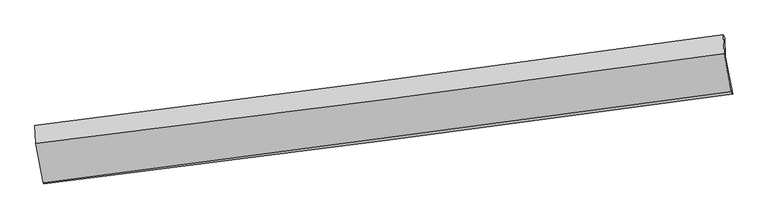
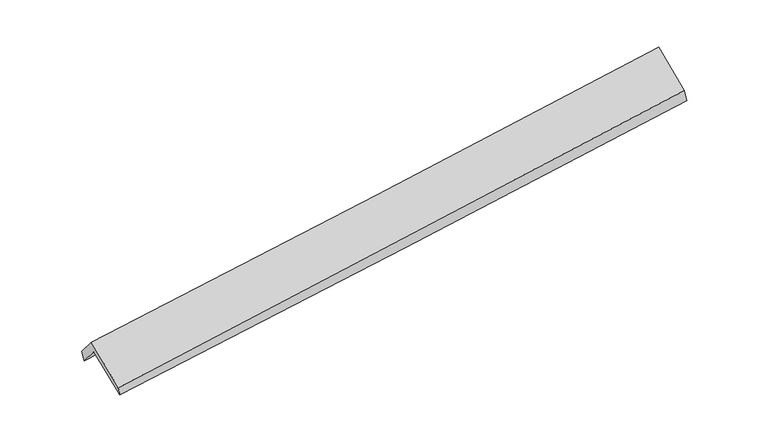
"""IFC4 building model written with IfcOpenShell, lengths in millimetres: proxy geometry."""

from ifc_helpers import new_model, si_unit, frame, origin, place, context, project, spatial, source, transform, mapped, element, save
from ifc_brep_helpers import plane_surface, spline_curve, spline_surface, advanced_brep


def generic_models_eb1711ac(model_context):
    return source(origin(), model_context, "Body", "AdvancedBrep", [
        advanced_brep(
        [(-4744.4737505, -2192.0124491, 1768.7851202), (-4753.3370954, -1943.0911301, 1469.6982067), (4666.0910577, -710.9007812, 2203.0589184), (4675.1821224, -966.2174645, 2509.8300663), (-4768.8740504, -1904.0847134, 1605.8656841), (4649.0888551, -664.3124878, 2345.5799928), (-4760.0464014, -2152.0035383, 1903.748069), (4658.3719438, -925.0220413, 2658.8308466), (-4656.3278729, -2688.6917644, 1454.0044389), (4757.6947297, -1438.9646373, 2228.1480077), (-4645.6632287, -2703.3043512, 1340.3235574), (4773.9926443, -1477.5093666, 2081.3685034)],
        [
            (0, 1),
            (1, 2, spline_curve(3, [(-4753.3370954, -1943.0911301, 1469.6982067), (-3177.919616673, -1744.370579053, 1590.587946239), (-1603.040633291, -1542.02723017, 1712.321382718), (1536.762695286, -1131.256370956, 1956.784441219), (3101.693095806, -922.869603956, 2079.504575628), (4666.0910577, -710.9007812, 2203.0589184)], [4, 2, 4], [0.0, 15.674081276882246, 31.25977697108581])),
            (2, 3),
            (3, 0, spline_curve(3, [(4675.1821224, -966.2174645, 2509.8300663), (3110.821793208, -1179.243174062, 2387.545606529), (1545.891392687, -1387.629941062, 2264.82547274), (-1593.987414705, -1796.281033119, 2017.815445761), (-3168.942305006, -1996.49259404, 1893.520597985), (-4744.4737505, -2192.0124491, 1768.7851202)], [4, 2, 4], [0.0, 15.585695694203563, 31.25977697108581])),
            (1, 4),
            (4, 5, spline_curve(3, [(-4768.8740504, -1904.0847134, 1605.8656841), (-3193.210284628, -1706.638567848, 1725.687474326), (-1618.331301166, -1504.29521857, 1847.420910781), (1520.980841965, -1090.98273548, 2094.013845828), (3085.422826285, -880.068676105, 2218.851845561), (4649.0888551, -664.3124878, 2345.5799928)], [4, 2, 4], [0.0, 15.674117504334323, 31.25984922170466])),
            (5, 2),
            (4, 6),
            (6, 7, spline_curve(3, [(-4760.0464014, -2152.0035383, 1903.748069), (-3184.154701179, -1960.958784493, 2031.261335977), (-1609.123904135, -1762.879011697, 2158.117595472), (1530.339195511, -1353.806062466, 2409.80446567), (3094.781180296, -1142.892003119, 2534.642465774), (4658.3719438, -925.0220413, 2658.8308466)], [4, 2, 4], [0.0, 15.674170518795517, 31.2599549516804])),
            (7, 5),
            (6, 8),
            (8, 9, spline_curve(3, [(-4656.3278729, -2688.6917644, 1454.0044389), (-3082.636115489, -2486.263477096, 1591.057083812), (-1509.070566325, -2280.601827007, 1724.266940492), (1628.935549057, -1863.989755677, 1982.271579849), (3193.377533688, -1653.075696203, 2107.109579618), (4757.6947297, -1438.9646373, 2228.1480077)], [4, 2, 4], [0.0, 15.674260975031451, 31.260135354072794])),
            (9, 7),
            (8, 10),
            (10, 11, spline_curve(3, [(-4645.6632287, -2703.3043512, 1340.3235574), (-3070.131782854, -2507.784496282, 1465.059035327), (-1495.176892632, -2307.572935302, 1589.353882839), (1644.701914415, -1898.921843279, 1836.363909862), (3209.632315236, -1690.535076406, 1959.084043692), (4773.9926443, -1477.5093666, 2081.3685034)], [4, 2, 4], [0.0, 15.674194940526316, 31.260003657428733])),
            (11, 9),
            (10, 0),
            (3, 11),
        ],
        [
            spline_surface(3, 3, [[(-4744.4737505, -2192.0124491, 1768.7851202), (-3168.942304801, -1996.492594008, 1893.52059794), (-1593.987414487, -1796.281032963, 2017.815445931), (1545.89139247, -1387.629941217, 2264.825472572), (3110.821793109, -1179.24317408, 2387.545606638), (4675.1821224, -966.2174645, 2509.8300663)], [(-4747.428198794, -2109.038676109, 1669.089482361), (-3171.93474217, -1912.451922376, 1792.543047314), (-1597.005154058, -1711.529765297, 1915.984091478), (1542.848493374, -1302.172084542, 2162.145128861), (3107.778894012, -1093.785317404, 2284.865262927), (4672.151767497, -881.111903405, 2407.57301698)], [(-4750.382647106, -2026.064903091, 1569.393844539), (-3174.927179557, -1828.411250717, 1691.565496707), (-1600.022893622, -1626.778497615, 1814.152736987), (1539.805594285, -1216.714227851, 2059.464785112), (3104.735994924, -1008.327460713, 2182.184919278), (4669.121412603, -796.006342295, 2305.31596772)], [(-4753.3370954, -1943.0911301, 1469.6982067), (-3177.919616926, -1744.370579085, 1590.587946081), (-1603.040633194, -1542.027229949, 1712.321382535), (1536.762695189, -1131.256371175, 1956.784441402), (3101.693095828, -922.869604038, 2079.504575568), (4666.0910577, -710.9007812, 2203.0589184)]], [4, 4], [4, 2, 4], [0.0, 1.3097355209453863], [0.0, 15.674081276882246, 31.25977697108581]),
            spline_surface(3, 3, [[(-4753.3370954, -1943.0911301, 1469.6982067), (-3177.919616926, -1744.370579085, 1590.587946081), (-1603.040633194, -1542.027229949, 1712.321382535), (1536.762695189, -1131.256371175, 1956.784441402), (3101.693095828, -922.869604038, 2079.504575568), (4666.0910577, -710.9007812, 2203.0589184)], [(-4758.516080408, -1930.088991213, 1515.087365832), (-3183.016506196, -1731.793241979, 1635.621122194), (-1608.137522464, -1529.449892842, 1757.354558648), (1531.502077379, -1117.831825951, 2002.527576176), (3096.269672738, -908.602628071, 2125.953665573), (4660.423656852, -695.371350087, 2250.565943222)], [(-4763.695065392, -1917.086852287, 1560.476524968), (-3188.113395444, -1719.215904832, 1680.654298313), (-1613.234411712, -1516.872555696, 1802.387734766), (1526.241459592, -1104.407280686, 2048.270710956), (3090.846249591, -894.335652043, 2172.402755512), (4654.756255948, -679.841918913, 2298.072967978)], [(-4768.8740504, -1904.0847134, 1605.8656841), (-3193.210284714, -1706.638567726, 1725.687474426), (-1618.331300982, -1504.295218589, 1847.420910879), (1520.980841782, -1090.982735461, 2094.013845731), (3085.422826501, -880.068676076, 2218.851845517), (4649.0888551, -664.3124878, 2345.5799928)]], [4, 4], [4, 2, 4], [0.0, 0.46746066507655004], [0.0, 15.674117504334323, 31.25984922170466]),
            spline_surface(3, 3, [[(-4768.8740504, -1904.0847134, 1605.8656841), (-3193.210284714, -1706.638567726, 1725.687474426), (-1618.331300982, -1504.295218589, 1847.420910879), (1520.980841782, -1090.982735461, 2094.013845731), (3085.422826501, -880.068676076, 2218.851845517), (4649.0888551, -664.3124878, 2345.5799928)], [(-4765.931500713, -1986.724321694, 1705.159812386), (-3190.191756878, -1791.411973302, 1827.545428284), (-1615.26216874, -1590.489816235, 1950.986472392), (1524.100293074, -1178.590511125, 2199.277385759), (3088.542277793, -967.67645174, 2324.115385545), (4652.183218004, -751.215672303, 2449.996944048)], [(-4762.988951087, -2069.363930006, 1804.453940714), (-3187.173229102, -1876.185378895, 1929.403382185), (-1612.193036511, -1676.684413972, 2054.552033859), (1527.219744352, -1266.198286881, 2304.540925742), (3091.661729071, -1055.284227396, 2429.378925628), (4655.277580896, -838.118856797, 2554.413895352)], [(-4760.0464014, -2152.0035383, 1903.748069), (-3184.154701265, -1960.958784471, 2031.261336043), (-1609.123904269, -1762.879011618, 2158.117595371), (1530.339195644, -1353.806062545, 2409.80446577), (3094.781180363, -1142.89200306, 2534.642465656), (4658.3719438, -925.0220413, 2658.8308466)]], [4, 4], [4, 2, 4], [0.0, 1.3373548456509932], [0.0, 15.674170518795517, 31.2599549516804]),
            spline_surface(3, 3, [[(-4760.0464014, -2152.0035383, 1903.748069), (-3184.154701265, -1960.958784471, 2031.261336043), (-1609.123904269, -1762.879011618, 2158.117595371), (1530.339195644, -1353.806062545, 2409.80446577), (3094.781180363, -1142.89200306, 2534.642465656), (4658.3719438, -925.0220413, 2658.8308466)], [(-4725.473558581, -2330.899613644, 1753.833525647), (-3150.315172693, -2136.060348574, 1884.526585309), (-1575.772791536, -1935.453283494, 2013.500710327), (1563.204646696, -1523.867293505, 2267.293503847), (3127.646631415, -1312.95323402, 2392.131503733), (4691.479539099, -1096.336239965, 2515.269900317)], [(-4690.900715719, -2509.795689056, 1603.918982253), (-3116.475644078, -2311.161912746, 1737.791834534), (-1542.421678801, -2108.027555377, 1868.883825332), (1596.07009775, -1693.928524472, 2124.782541974), (3160.512082469, -1483.014464987, 2249.62054176), (4724.587134401, -1267.650438635, 2371.708953983)], [(-4656.3278729, -2688.6917644, 1454.0044389), (-3082.636115505, -2486.263476848, 1591.0570838), (-1509.070566069, -2280.601827253, 1724.266940288), (1628.935548803, -1863.989755432, 1982.271580051), (3193.377533521, -1653.075695947, 2107.109579837), (4757.6947297, -1438.9646373, 2228.1480077)]], [4, 4], [4, 2, 4], [0.0, 2.224078082024308], [0.0, 15.674260975031451, 31.260135354072794]),
            spline_surface(3, 3, [[(-4656.3278729, -2688.6917644, 1454.0044389), (-3082.636115505, -2486.263476848, 1591.0570838), (-1509.070566069, -2280.601827253, 1724.266940288), (1628.935548803, -1863.989755432, 1982.271580051), (3193.377533521, -1653.075695947, 2107.109579837), (4757.6947297, -1438.9646373, 2228.1480077)], [(-4652.772991475, -2693.562626696, 1416.110811716), (-3078.468004645, -2493.437149965, 1549.05773423), (-1504.439341572, -2289.592196561, 1679.295921201), (1634.191003994, -1875.633784765, 1933.635689923), (3198.795793993, -1665.562156023, 2057.767734479), (4763.127367876, -1451.812880398, 2179.221506275)], [(-4649.218110125, -2698.433488904, 1378.217184584), (-3074.299893861, -2500.610822992, 1507.05838471), (-1499.808117084, -2298.582565855, 1634.324902118), (1639.446459178, -1887.277814084, 1884.999799799), (3204.214054537, -1678.048616104, 2008.425889095), (4768.560006124, -1464.661123502, 2130.295004825)], [(-4645.6632287, -2703.3043512, 1340.3235574), (-3070.131783001, -2507.784496108, 1465.05903514), (-1495.176892587, -2307.572935163, 1589.353883031), (1644.70191437, -1898.921843417, 1836.363909672), (3209.632315009, -1690.53507618, 1959.084043738), (4773.9926443, -1477.5093666, 2081.3685034)]], [4, 4], [4, 2, 4], [0.0, 0.474109145148708], [0.0, 15.674194940526316, 31.260003657428733]),
            spline_surface(3, 3, [[(-4645.6632287, -2703.3043512, 1340.3235574), (-3070.131783001, -2507.784496108, 1465.05903514), (-1495.176892587, -2307.572935163, 1589.353883031), (1644.70191437, -1898.921843417, 1836.363909672), (3209.632315009, -1690.53507618, 1959.084043738), (4773.9926443, -1477.5093666, 2081.3685034)], [(-4678.600069329, -2532.873717143, 1483.144078359), (-3103.06862363, -2337.353862051, 1607.879556099), (-1528.113733216, -2137.142301106, 1732.174403989), (1611.76507374, -1728.49120936, 1979.18443063), (3176.695474379, -1520.104442123, 2101.904564696), (4741.055803671, -1307.078732543, 2224.189024359)], [(-4711.536909871, -2362.443083157, 1625.964599241), (-3136.005464172, -2166.923228065, 1750.700076981), (-1561.050573858, -1966.71166702, 1874.994924972), (1578.828233099, -1558.060575274, 2122.004951613), (3143.758633738, -1349.673808137, 2244.725085679), (4708.118963029, -1136.648098557, 2367.009545341)], [(-4744.4737505, -2192.0124491, 1768.7851202), (-3168.942304801, -1996.492594008, 1893.52059794), (-1593.987414487, -1796.281032963, 2017.815445931), (1545.89139247, -1387.629941217, 2264.825472572), (3110.821793109, -1179.24317408, 2387.545606638), (4675.1821224, -966.2174645, 2509.8300663)]], [4, 4], [4, 2, 4], [0.0, 2.2124692099526224], [0.0, 15.674096899223905, 31.259808127675303]),
            plane_surface(frame((4696.7368922, -1030.4877965, 2337.8027225), z_axis=(0.9889448588586747, 0.12706145482605216, 0.07644248056207517), x_axis=(0.10678140603177845, -0.25253908296505817, -0.9616765271654726))),
            plane_surface(frame((-4721.4537332, -2263.8646578, 1590.4041794), z_axis=(-0.9889448588586673, -0.12706145482625836, -0.07644248056182595), x_axis=(0.1465247519827405, -0.7581876679210486, -0.6353597069919039))),
        ],
        [
            (0, [[1, 2, 3, 4]]),
            (1, [[5, 6, 7, -2]]),
            (2, [[8, 9, 10, -6]]),
            (3, [[11, 12, 13, -9]]),
            (4, [[14, 15, 16, -12]]),
            (5, [[17, -4, 18, -15]]),
            (6, [[-16, -18, -3, -7, -10, -13]]),
            (7, [[-17, -14, -11, -8, -5, -1]]),
        ],
    ),
    ])


if __name__ == "__main__":
    model = new_model("IFC4")
    model_context = context("Model", 3, world=origin())
    ifc_project = project(units=[si_unit("LENGTHUNIT", "METRE", prefix="MILLI")], contexts=[model_context])
    site = spatial("IfcSite", under=ifc_project)
    building = spatial("IfcBuilding", under=site)
    placement = place(None, origin())
    generic_models_shape = generic_models_eb1711ac(model_context)
    element("IfcBuildingElementProxy", 1, Name="Generic Models", at=placement, inside=building, context=model_context, shape_type="MappedRepresentation", body=[
        mapped(generic_models_shape, transform((0.0, 0.0, 0.0), x_axis=(1.0, 0.0, 0.0), y_axis=(0.0, 1.0, 0.0), z_axis=(0.0, 0.0, 1.0))),
    ])
    save(model, "model.ifc")
